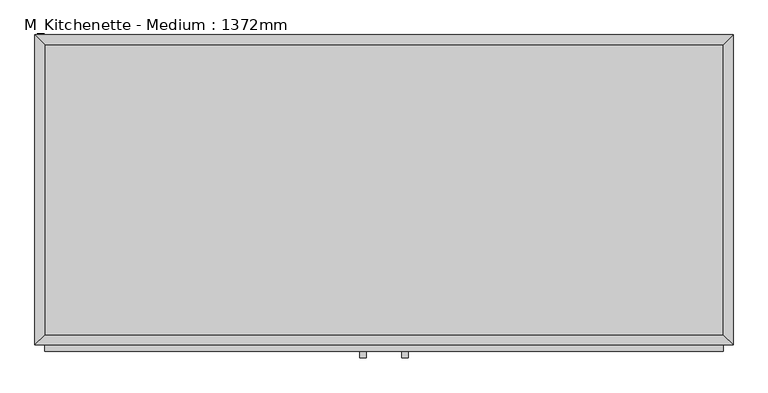
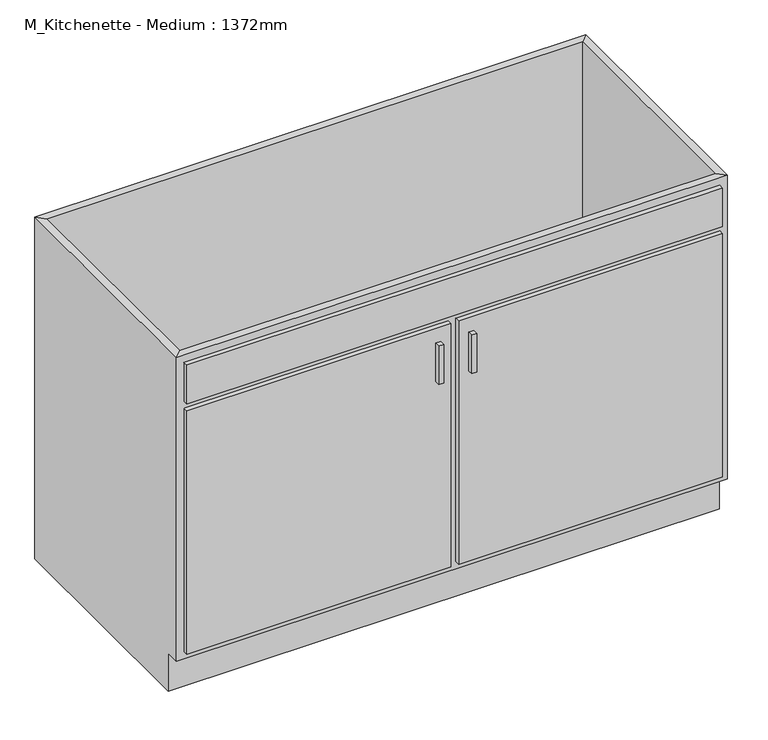
"""IFC4 building model written with IfcOpenShell, lengths in millimetres: proxy geometry, M_Kitchenette - Medium : 1372mm."""

from ifc_helpers import new_model, si_unit, frame, origin, place, context, project, spatial, polyline, outline, extrude, faceted_brep, source, transform, mapped, element, save


def m_kitchenette_medium_1372mm_e05c6bec(model_context):
    return source(origin(), model_context, "Body", "SolidModel", [
        faceted_brep([(685.6877049, -590.95, 900.0), (685.6877049, -590.95, 100.0), (-648.2122951, -590.95, 100.0), (-648.2122951, -590.95, 900.0), (-667.2622951, -610.0, 900.0), (704.7377049, -610.0, 900.0), (-667.2622951, -610.0, 100.0), (704.7377049, -610.0, 100.0), (-648.2122951, -575.0, 100.0), (-648.2122951, -19.05, 100.0), (-648.2122951, -19.05, 900.0), (-667.2622951, 0.0, 900.0), (-667.2622951, 0.0, 0.0), (-667.2622951, -575.0, 0.0), (-667.2622951, -575.0, 100.0), (685.6877049, -19.05, 100.0), (685.6877049, -19.05, 900.0), (704.7377049, 0.0, 900.0), (704.7377049, 0.0, 0.0), (685.6877049, -575.0, 100.0), (704.7377049, -575.0, 100.0), (704.7377049, -575.0, 0.0)], [[[0, 1, 2, 3]], [[0, 3, 4, 5]], [[5, 4, 6, 7]], [[2, 1, 7, 6]], [[3, 2, 8, 9, 10]], [[4, 3, 10, 11]], [[6, 4, 11, 12, 13, 14]], [[2, 6, 14, 8]], [[10, 9, 15, 16]], [[11, 10, 16, 17]], [[12, 11, 17, 18]], [[1, 0, 16, 15, 19]], [[0, 5, 17, 16]], [[5, 7, 20, 21, 18, 17]], [[7, 1, 19, 20]], [[8, 19, 15, 9]], [[18, 21, 13, 12]], [[13, 21, 20, 19, 8, 14]]]),
        extrude(outline(polyline([(-16.1872951, -635.4), (-28.8872951, -635.4), (-28.8872951, -622.7), (-16.1872951, -622.7), (-16.1872951, -635.4)])), frame((0.0, 0.0, 620.6), z_axis=(0.0, 0.0, 1.0), x_axis=(1.0, 0.0, 0.0)), (0.0, 0.0, 1.0), 101.6),
        extrude(outline(polyline([(66.3627049, -635.4), (53.6627049, -635.4), (53.6627049, -622.7), (66.3627049, -622.7), (66.3627049, -635.4)])), frame((0.0, 0.0, 620.6), z_axis=(0.0, 0.0, 1.0), x_axis=(1.0, 0.0, 0.0)), (0.0, 0.0, 1.0), 101.6),
        extrude(outline(polyline([(685.6877049, -19.05), (685.6877049, -590.95), (-648.2122951, -590.95), (-648.2122951, -19.05), (685.6877049, -19.05)])), frame((0.0, 0.0, 100.0), z_axis=(0.0, 0.0, 1.0), x_axis=(1.0, 0.0, 0.0)), (0.0, 0.0, 1.0), 19.05),
        extrude(outline(polyline([(9.2127049, -622.7), (-648.2122951, -622.7), (-648.2122951, -610.0), (9.2127049, -610.0), (9.2127049, -622.7)])), frame((0.0, 0.0, 119.05), z_axis=(0.0, 0.0, 1.0), x_axis=(1.0, 0.0, 0.0)), (0.0, 0.0, 1.0), 641.25),
        extrude(outline(polyline([(685.6877049, -622.7), (28.2627049, -622.7), (28.2627049, -610.0), (685.6877049, -610.0), (685.6877049, -622.7)])), frame((0.0, 0.0, 119.05), z_axis=(0.0, 0.0, 1.0), x_axis=(1.0, 0.0, 0.0)), (0.0, 0.0, 1.0), 641.25),
        extrude(outline(polyline([(685.6877049, -622.7), (-648.2122951, -622.7), (-648.2122951, -610.0), (685.6877049, -610.0), (685.6877049, -622.7)])), frame((0.0, 0.0, 779.35), z_axis=(0.0, 0.0, 1.0), x_axis=(1.0, 0.0, 0.0)), (0.0, 0.0, 1.0), 101.6),
    ])


if __name__ == "__main__":
    model = new_model("IFC4")
    model_context = context("Model", 3, world=origin())
    ifc_project = project(units=[si_unit("LENGTHUNIT", "METRE", prefix="MILLI")], contexts=[model_context])
    site = spatial("IfcSite", under=ifc_project)
    building = spatial("IfcBuilding", under=site)
    placement = place(None, origin())
    m_kitchenette_medium_1372mm_shape = m_kitchenette_medium_1372mm_e05c6bec(model_context)
    element("IfcBuildingElementProxy", 1, Name="M_Kitchenette - Medium : 1372mm", ObjectType="M_Kitchenette - Medium : 1372mm", at=placement, inside=building, context=model_context, shape_type="MappedRepresentation", body=[
        mapped(m_kitchenette_medium_1372mm_shape, transform((0.0, 0.0, 0.0), x_axis=(1.0, 0.0, 0.0), y_axis=(0.0, 1.0, 0.0), z_axis=(0.0, 0.0, 1.0))),
    ])
    save(model, "model.ifc")
